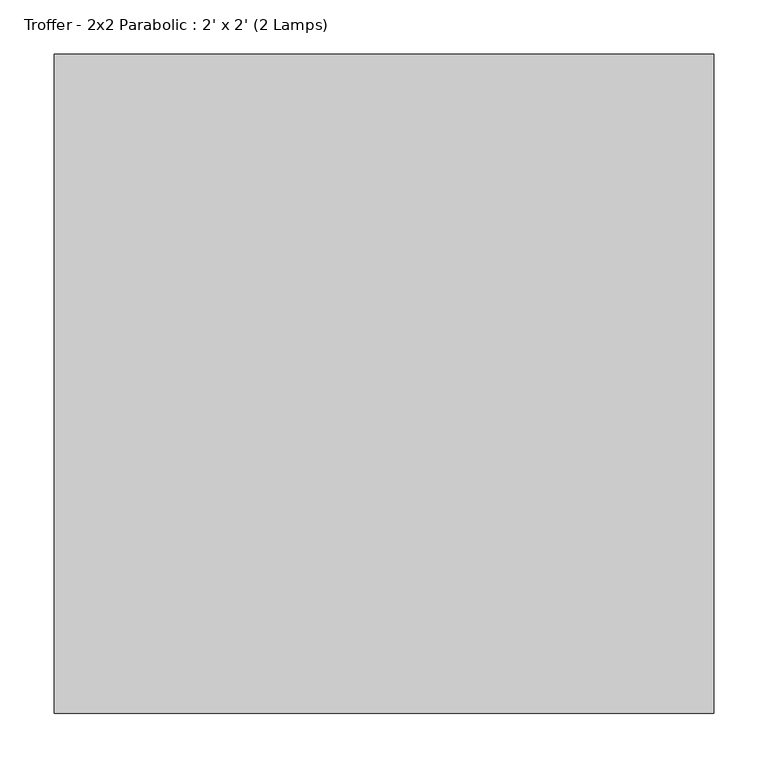
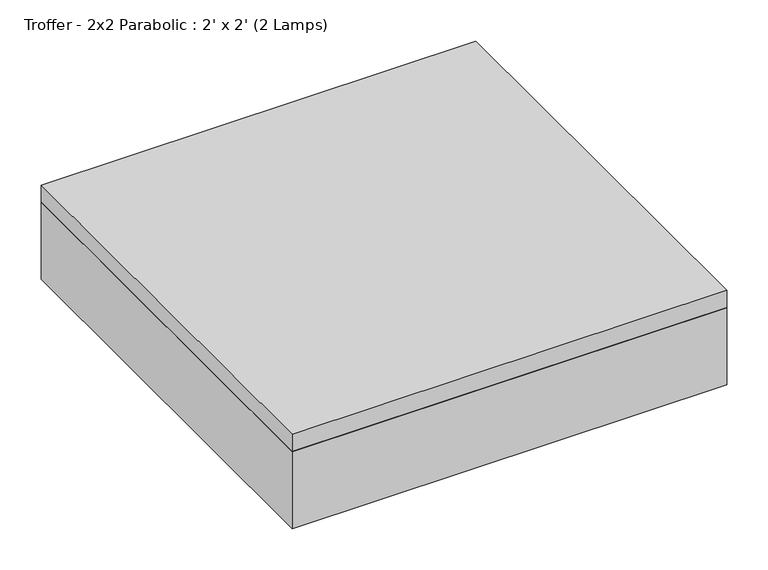
"""IFC4 building model written with IfcOpenShell, lengths in millimetres: light fixture geometry, Troffer - 2x2 Parabolic : 2' x 2' (2 Lamps)."""

from ifc_helpers import new_model, si_unit, frame, origin, place, context, project, spatial, polyline, outline, extrude, source, transform, mapped, element, save


def troffer_2x2_parabolic_2_x_2_2_lamps_42650cf3(model_context):
    return source(origin(), model_context, "Body", "SweptSolid", [
        extrude(outline(polyline([(260.6964984, 219.9340679), (260.6964984, -338.8659321), (-298.1035016, -338.8659321), (-298.1035016, 219.9340679), (260.6964984, 219.9340679)]), holes=[polyline([(-113.9535016, 35.7840679), (-113.9535016, 213.5840679), (-291.7535016, 213.5840679), (-291.7535016, 35.7840679), (-113.9535016, 35.7840679)]), polyline([(-113.9535016, -148.3659321), (-113.9535016, 29.4340679), (-291.7535016, 29.4340679), (-291.7535016, -148.3659321), (-113.9535016, -148.3659321)]), polyline([(-113.9535016, -154.7159321), (-291.7535016, -154.7159321), (-291.7535016, -332.5159321), (-113.9535016, -332.5159321), (-113.9535016, -154.7159321)]), polyline([(70.1964984, 35.7840679), (70.1964984, 213.5840679), (-107.6035016, 213.5840679), (-107.6035016, 35.7840679), (70.1964984, 35.7840679)]), polyline([(70.1964984, -148.3659321), (70.1964984, 29.4340679), (-107.6035016, 29.4340679), (-107.6035016, -148.3659321), (70.1964984, -148.3659321)]), polyline([(70.1964984, -154.7159321), (-107.6035016, -154.7159321), (-107.6035016, -332.5159321), (70.1964984, -332.5159321), (70.1964984, -154.7159321)]), polyline([(254.3464984, 35.7840679), (254.3464984, 213.5840679), (76.5464984, 213.5840679), (76.5464984, 35.7840679), (254.3464984, 35.7840679)]), polyline([(254.3464984, -148.3659321), (254.3464984, 29.4340679), (76.5464984, 29.4340679), (76.5464984, -148.3659321), (254.3464984, -148.3659321)]), polyline([(254.3464984, -154.7159321), (76.5464984, -154.7159321), (76.5464984, -332.5159321), (254.3464984, -332.5159321), (254.3464984, -154.7159321)])]), frame((0.0, 0.0, 2438.4), z_axis=(0.0, 0.0, 1.0), x_axis=(1.0, 0.0, 0.0)), (0.0, 0.0, 1.0), 3.175),
        extrude(outline(polyline([(260.6964984, 219.9340679), (260.6964984, -338.8659321), (-298.1035016, -338.8659321), (-298.1035016, 219.9340679), (260.6964984, 219.9340679)])), frame((0.0, 0.0, 2514.6), z_axis=(0.0, 0.0, 1.0), x_axis=(1.0, 0.0, 0.0)), (0.0, 0.0, 1.0), 6.35),
        extrude(outline(polyline([(260.6964984, 219.9340679), (260.6964984, -338.8659321), (-298.1035016, -338.8659321), (-298.1035016, 219.9340679), (260.6964984, 219.9340679)]), holes=[polyline([(-113.9535016, 35.7840679), (-113.9535016, 213.5840679), (-291.7535016, 213.5840679), (-291.7535016, 35.7840679), (-113.9535016, 35.7840679)]), polyline([(-113.9535016, -148.3659321), (-113.9535016, 29.4340679), (-291.7535016, 29.4340679), (-291.7535016, -148.3659321), (-113.9535016, -148.3659321)]), polyline([(-113.9535016, -154.7159321), (-291.7535016, -154.7159321), (-291.7535016, -332.5159321), (-113.9535016, -332.5159321), (-113.9535016, -154.7159321)]), polyline([(70.1964984, 35.7840679), (70.1964984, 213.5840679), (-107.6035016, 213.5840679), (-107.6035016, 35.7840679), (70.1964984, 35.7840679)]), polyline([(70.1964984, -148.3659321), (70.1964984, 29.4340679), (-107.6035016, 29.4340679), (-107.6035016, -148.3659321), (70.1964984, -148.3659321)]), polyline([(70.1964984, -154.7159321), (-107.6035016, -154.7159321), (-107.6035016, -332.5159321), (70.1964984, -332.5159321), (70.1964984, -154.7159321)]), polyline([(254.3464984, 35.7840679), (254.3464984, 213.5840679), (76.5464984, 213.5840679), (76.5464984, 35.7840679), (254.3464984, 35.7840679)]), polyline([(254.3464984, -148.3659321), (254.3464984, 29.4340679), (76.5464984, 29.4340679), (76.5464984, -148.3659321), (254.3464984, -148.3659321)]), polyline([(254.3464984, -154.7159321), (76.5464984, -154.7159321), (76.5464984, -332.5159321), (254.3464984, -332.5159321), (254.3464984, -154.7159321)])]), frame((0.0, 0.0, 2441.575), z_axis=(0.0, 0.0, 1.0), x_axis=(1.0, 0.0, 0.0)), (0.0, 0.0, 1.0), 47.625),
        extrude(outline(polyline([(286.0964984, 245.3340679), (286.0964984, -364.2659321), (-323.5035016, -364.2659321), (-323.5035016, 245.3340679), (286.0964984, 245.3340679)]), holes=[polyline([(260.6964984, 219.9340679), (-298.1035016, 219.9340679), (-298.1035016, -338.8659321), (260.6964984, -338.8659321), (260.6964984, 219.9340679)])]), frame((0.0, 0.0, 2438.4), z_axis=(0.0, 0.0, 1.0), x_axis=(1.0, 0.0, 0.0)), (0.0, 0.0, 1.0), 114.3),
        extrude(outline(polyline([(286.0964984, 245.3340679), (286.0964984, -364.2659321), (-323.5035016, -364.2659321), (-323.5035016, 245.3340679), (286.0964984, 245.3340679)])), frame((0.0, 0.0, 2552.7), z_axis=(0.0, 0.0, 1.0), x_axis=(1.0, 0.0, 0.0)), (0.0, 0.0, 1.0), 25.4),
    ])


if __name__ == "__main__":
    model = new_model("IFC4")
    model_context = context("Model", 3, world=origin())
    ifc_project = project(units=[si_unit("LENGTHUNIT", "METRE", prefix="MILLI")], contexts=[model_context])
    site = spatial("IfcSite", under=ifc_project)
    building = spatial("IfcBuilding", under=site)
    placement = place(None, origin())
    troffer_2x2_parabolic_2_x_2_2_lamps_shape = troffer_2x2_parabolic_2_x_2_2_lamps_42650cf3(model_context)
    element("IfcLightFixture", 1, ObjectType="Troffer - 2x2 Parabolic : 2' x 2' (2 Lamps)", at=placement, inside=building, context=model_context, shape_type="MappedRepresentation", body=[
        mapped(troffer_2x2_parabolic_2_x_2_2_lamps_shape, transform((0.0, 0.0, 0.0), x_axis=(1.0, 0.0, 0.0), y_axis=(0.0, 1.0, 0.0), z_axis=(0.0, 0.0, 1.0))),
    ])
    save(model, "model.ifc")
